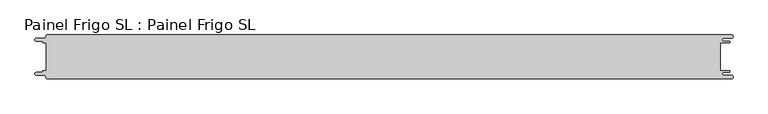
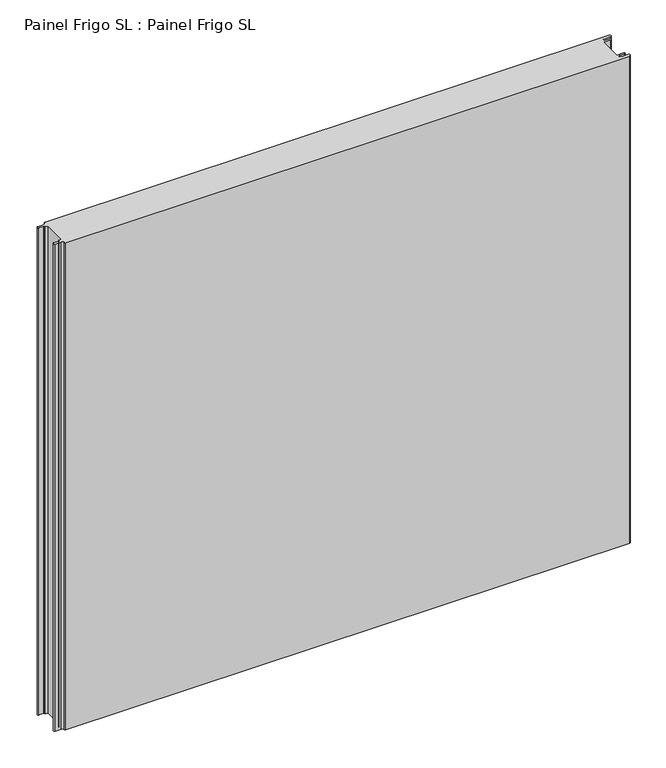
"""IFC4 building model written with IfcOpenShell, lengths in millimetres: proxy geometry, Painel Frigo SL : Painel Frigo SL."""

from ifc_helpers import new_model, si_unit, frame, origin, place, context, project, spatial, polyline, circle_curve, source, transform, mapped, element, save
from ifc_brep_helpers import plane_surface, cylinder_surface, revolved_surface, advanced_brep


def painel_frigo_sl_painel_frigo_sl_8c86acc0(model_context):
    return source(origin(), model_context, "Body", "AdvancedBrep", [
        advanced_brep(
        [(-554.5874998, -22.3, 1000.0), (-555.1874998, -22.9, 1000.0), (-555.1874998, -23.7085184, 1000.0), (-556.5875001, -25.1085187, 1000.0), (-565.565625, -25.1085187, 1000.0), (-565.565625, -29.5085185, 1000.0), (-553.55, -29.5085185, 1000.0), (-550.0, -33.0585185, 1000.0), (-548.05, -35.0, 1000.0), (546.89375, -35.0, 1000.0), (546.89375, -29.725, 1000.0), (534.45625, -29.725, 1000.0), (534.45625, -24.875, 1000.0), (543.1187503, -24.875, 1000.0), (543.1187503, -22.3, 1000.0), (529.2687503, -22.3, 1000.0), (529.2687503, 22.3, 1000.0), (543.1187503, 22.3, 1000.0), (543.1187503, 24.875, 1000.0), (534.45625, 24.875, 1000.0), (534.45625, 29.725, 1000.0), (546.89375, 29.725, 1000.0), (546.89375, 35.0, 1000.0), (-548.05, 35.0, 1000.0), (-550.0, 33.05, 1000.0), (-553.55, 29.5085185, 1000.0), (-565.565625, 29.5085185, 1000.0), (-565.565625, 25.1085185, 1000.0), (-556.5875003, 25.1085185, 1000.0), (-555.1875003, 23.7085185, 1000.0), (-555.1875003, 22.9, 1000.0), (-554.5874998, 22.2999995, 1000.0), (-549.2999612, 22.2999995, 1000.0), (-549.2999612, -22.3, 1000.0), (-554.5874998, -22.3, 0.0), (-549.2999612, -22.3, 0.0), (-549.2999612, 22.2999995, 0.0), (-554.5874998, 22.2999995, 0.0), (-555.1875003, 22.9, 0.0), (-555.1875003, 23.7085185, 0.0), (-556.5875003, 25.1085185, 0.0), (-565.565625, 25.1085185, 0.0), (-565.565625, 29.5085185, 0.0), (-553.55, 29.5085185, 0.0), (-550.0, 33.0585185, 0.0), (-548.05, 35.0, 0.0), (546.89375, 35.0, 0.0), (546.89375, 29.725, 0.0), (534.45625, 29.725, 0.0), (534.45625, 24.875, 0.0), (543.1187503, 24.875, 0.0), (543.1187503, 22.3, 0.0), (529.2687503, 22.3, 0.0), (529.2687503, -22.3, 0.0), (543.1187503, -22.3, 0.0), (543.1187503, -24.875, 0.0), (534.45625, -24.875, 0.0), (534.45625, -29.725, 0.0), (546.89375, -29.725, 0.0), (546.89375, -35.0, 0.0), (-548.05, -35.0, 0.0), (-550.0, -33.05, 0.0), (-553.55, -29.5085185, 0.0), (-565.565625, -29.5085185, 0.0), (-565.565625, -25.1085187, 0.0), (-556.5875001, -25.1085187, 0.0), (-555.1874998, -23.7085184, 0.0), (-555.1874998, -22.9, 0.0)],
        [
            (0, 1, circle_curve(frame((-554.5874998, -22.9, 1000.0), z_axis=(0.0, 0.0, 1.0), x_axis=(1.0, 0.0, 0.0)), 0.6)),
            (1, 2),
            (2, 3, circle_curve(frame((-556.5875001, -23.7085184, 1000.0), z_axis=(0.0, 0.0, -1.0), x_axis=(1.0, 0.0, 0.0)), 1.4000003)),
            (3, 4),
            (4, 5, circle_curve(frame((-565.565625, -27.3085186, 1000.0), z_axis=(0.0, 0.0, 1.0), x_axis=(1.0, 0.0, 0.0)), 2.1999999)),
            (5, 6),
            (6, 7, circle_curve(frame((-553.55, -33.0585185, 1000.0), z_axis=(0.0, 0.0, -1.0), x_axis=(1.0, 0.0, 0.0)), 3.55)),
            (7, 8, circle_curve(frame((-548.05, -33.05, 1000.0), z_axis=(0.0, 0.0, 1.0), x_axis=(1.0, 0.0, 0.0)), 1.95)),
            (8, 9),
            (9, 10, circle_curve(frame((546.89375, -32.3625, 1000.0), z_axis=(0.0, 0.0, 1.0), x_axis=(1.0, 0.0, 0.0)), 2.6375)),
            (10, 11),
            (11, 12, circle_curve(frame((534.45625, -27.3, 1000.0), z_axis=(0.0, 0.0, -1.0), x_axis=(1.0, 0.0, 0.0)), 2.425)),
            (12, 13),
            (13, 14, circle_curve(frame((543.1187503, -23.5875, 1000.0), z_axis=(0.0, 0.0, 1.0), x_axis=(1.0, 0.0, 0.0)), 1.2875)),
            (14, 15),
            (15, 16),
            (16, 17),
            (17, 18, circle_curve(frame((543.1187503, 23.5875, 1000.0), z_axis=(0.0, 0.0, 1.0), x_axis=(1.0, 0.0, 0.0)), 1.2875)),
            (18, 19),
            (19, 20, circle_curve(frame((534.45625, 27.3, 1000.0), z_axis=(0.0, 0.0, -1.0), x_axis=(1.0, 0.0, 0.0)), 2.425)),
            (20, 21),
            (21, 22, circle_curve(frame((546.89375, 32.3625, 1000.0), z_axis=(0.0, 0.0, 1.0), x_axis=(1.0, 0.0, 0.0)), 2.6375)),
            (22, 23),
            (23, 24, circle_curve(frame((-548.05, 33.05, 1000.0), z_axis=(0.0, 0.0, 1.0), x_axis=(1.0, 0.0, 0.0)), 1.95)),
            (24, 25, circle_curve(frame((-553.55, 33.0585185, 1000.0), z_axis=(0.0, 0.0, -1.0), x_axis=(1.0, 0.0, 0.0)), 3.55)),
            (25, 26),
            (26, 27, circle_curve(frame((-565.565625, 27.3085185, 1000.0), z_axis=(0.0, 0.0, 1.0), x_axis=(1.0, 0.0, 0.0)), 2.2)),
            (27, 28),
            (28, 29, circle_curve(frame((-556.5875003, 23.7085185, 1000.0), z_axis=(0.0, 0.0, -1.0), x_axis=(1.0, 0.0, 0.0)), 1.4)),
            (29, 30),
            (30, 31, circle_curve(frame((-554.5874998, 22.9, 1000.0), z_axis=(0.0, 0.0, 1.0), x_axis=(1.0, 0.0, 0.0)), 0.6000005)),
            (31, 32),
            (32, 33),
            (33, 0),
            (34, 35),
            (35, 36),
            (36, 37),
            (37, 38, circle_curve(frame((-554.5874998, 22.9, 0.0), z_axis=(0.0, 0.0, -1.0), x_axis=(1.0, 0.0, 0.0)), 0.6000005)),
            (38, 39),
            (39, 40, circle_curve(frame((-556.5875003, 23.7085185, 0.0), z_axis=(0.0, 0.0, 1.0), x_axis=(1.0, 0.0, 0.0)), 1.4)),
            (40, 41),
            (41, 42, circle_curve(frame((-565.565625, 27.3085185, 0.0), z_axis=(0.0, 0.0, -1.0), x_axis=(1.0, 0.0, 0.0)), 2.2)),
            (42, 43),
            (43, 44, circle_curve(frame((-553.55, 33.0585185, 0.0), z_axis=(0.0, 0.0, 1.0), x_axis=(1.0, 0.0, 0.0)), 3.55)),
            (44, 45, circle_curve(frame((-548.05, 33.05, 0.0), z_axis=(0.0, 0.0, -1.0), x_axis=(1.0, 0.0, 0.0)), 1.95)),
            (45, 46),
            (46, 47, circle_curve(frame((546.89375, 32.3625, 0.0), z_axis=(0.0, 0.0, -1.0), x_axis=(1.0, 0.0, 0.0)), 2.6375)),
            (47, 48),
            (48, 49, circle_curve(frame((534.45625, 27.3, 0.0), z_axis=(0.0, 0.0, 1.0), x_axis=(1.0, 0.0, 0.0)), 2.425)),
            (49, 50),
            (50, 51, circle_curve(frame((543.1187503, 23.5875, 0.0), z_axis=(0.0, 0.0, -1.0), x_axis=(1.0, 0.0, 0.0)), 1.2875)),
            (51, 52),
            (52, 53),
            (53, 54),
            (54, 55, circle_curve(frame((543.1187503, -23.5875, 0.0), z_axis=(0.0, 0.0, -1.0), x_axis=(1.0, 0.0, 0.0)), 1.2875)),
            (55, 56),
            (56, 57, circle_curve(frame((534.45625, -27.3, 0.0), z_axis=(0.0, 0.0, 1.0), x_axis=(1.0, 0.0, 0.0)), 2.425)),
            (57, 58),
            (58, 59, circle_curve(frame((546.89375, -32.3625, 0.0), z_axis=(0.0, 0.0, -1.0), x_axis=(1.0, 0.0, 0.0)), 2.6375)),
            (59, 60),
            (60, 61, circle_curve(frame((-548.05, -33.05, 0.0), z_axis=(0.0, 0.0, -1.0), x_axis=(1.0, 0.0, 0.0)), 1.95)),
            (61, 62, circle_curve(frame((-553.55, -33.0585185, 0.0), z_axis=(0.0, 0.0, 1.0), x_axis=(1.0, 0.0, 0.0)), 3.55)),
            (62, 63),
            (63, 64, circle_curve(frame((-565.565625, -27.3085186, 0.0), z_axis=(0.0, 0.0, -1.0), x_axis=(1.0, 0.0, 0.0)), 2.1999999)),
            (64, 65),
            (65, 66, circle_curve(frame((-556.5875001, -23.7085184, 0.0), z_axis=(0.0, 0.0, 1.0), x_axis=(1.0, 0.0, 0.0)), 1.4000003)),
            (66, 67),
            (67, 34, circle_curve(frame((-554.5874998, -22.9, 0.0), z_axis=(0.0, 0.0, -1.0), x_axis=(1.0, 0.0, 0.0)), 0.6)),
            (33, 35),
            (34, 0),
            (32, 36),
            (31, 37),
            (30, 38),
            (29, 39),
            (28, 40),
            (27, 41),
            (26, 42),
            (25, 43),
            (24, 44),
            (23, 45),
            (22, 46),
            (15, 53),
            (52, 16),
            (14, 54),
            (13, 55),
            (12, 56),
            (11, 57),
            (10, 58),
            (9, 59),
            (8, 60),
            (7, 61),
            (6, 62),
            (5, 63),
            (4, 64),
            (3, 65),
            (2, 66),
            (1, 67),
            (21, 47),
            (20, 48),
            (19, 49),
            (18, 50),
            (17, 51),
        ],
        [
            plane_surface(frame((-549.2999612, -22.3, 1000.0), z_axis=(0.0, 0.0, 1.0), x_axis=(1.0, 0.0, 0.0))),
            plane_surface(frame((-549.2999612, -22.3, 0.0), z_axis=(0.0, 0.0, -1.0), x_axis=(-1.0, 0.0, 0.0))),
            plane_surface(frame((-554.5874998, -22.3, 1000.0), z_axis=(0.0, 1.0, 0.0), x_axis=(0.0, 0.0, -1.0))),
            plane_surface(frame((-549.2999612, -22.3, 1000.0), z_axis=(-1.0, 0.0, 0.0), x_axis=(0.0, 0.0, -1.0))),
            plane_surface(frame((-549.2999612, 22.2999995, 1000.0), z_axis=(0.0, -1.0, 0.0), x_axis=(0.0, 0.0, -1.0))),
            cylinder_surface(frame((-554.5874998, 22.9, 0.0), z_axis=(0.0, 0.0, 1.0), x_axis=(1.0, 0.0, 0.0)), 0.6000005),
            plane_surface(frame((-555.1875003, 22.9, 1000.0), z_axis=(-1.0, -1.7578608662329244e-12, 0.0), x_axis=(0.0, 0.0, -1.0))),
            revolved_surface(polyline([(-555.1875003, 23.7085185, 0.0), (-555.1875003, 23.7085185, 1000.0)]), (-556.5875003, 23.7085185, 0.0), (0.0, 0.0, -1.0)),
            plane_surface(frame((-556.5875003, 25.1085185, 1000.0), z_axis=(0.0, -1.0, 0.0), x_axis=(0.0, 0.0, -1.0))),
            cylinder_surface(frame((-565.565625, 27.3085185, 0.0), z_axis=(0.0, 0.0, 1.0), x_axis=(1.0, 0.0, 0.0)), 2.2),
            plane_surface(frame((-565.565625, 29.5085185, 1000.0), z_axis=(0.0, 1.0, 0.0), x_axis=(0.0, 0.0, -1.0))),
            revolved_surface(polyline([(-550.0, 33.0585185, 0.0), (-550.0, 33.0585185, 1000.0)]), (-553.55, 33.0585185, 0.0), (0.0, 0.0, -1.0)),
            cylinder_surface(frame((-548.05, 33.05, 0.0), z_axis=(0.0, 0.0, 1.0), x_axis=(1.0, 0.0, 0.0)), 1.95),
            plane_surface(frame((-548.05, 35.0, 1000.0), z_axis=(0.0, 1.0, 0.0), x_axis=(0.0, 0.0, -1.0))),
            plane_surface(frame((529.2687503, 22.3, 1000.0), z_axis=(1.0, 0.0, 0.0), x_axis=(0.0, 0.0, -1.0))),
            plane_surface(frame((529.2687503, -22.3, 1000.0), z_axis=(0.0, 1.0, 0.0), x_axis=(0.0, 0.0, -1.0))),
            cylinder_surface(frame((543.1187503, -23.5875, 0.0), z_axis=(0.0, 0.0, 1.0), x_axis=(1.0, 0.0, 0.0)), 1.2875),
            plane_surface(frame((543.1187503, -24.875, 1000.0), z_axis=(0.0, -1.0, 0.0), x_axis=(0.0, 0.0, -1.0))),
            revolved_surface(polyline([(536.8812499999999, -27.3, 0.0), (536.8812499999999, -27.3, 1000.0)]), (534.45625, -27.3, 0.0), (0.0, 0.0, -1.0)),
            plane_surface(frame((534.45625, -29.725, 1000.0), z_axis=(0.0, 1.0, 0.0), x_axis=(0.0, 0.0, -1.0))),
            cylinder_surface(frame((546.89375, -32.3625, 0.0), z_axis=(0.0, 0.0, 1.0), x_axis=(1.0, 0.0, 0.0)), 2.6375),
            plane_surface(frame((546.89375, -35.0, 1000.0), z_axis=(0.0, -1.0, 0.0), x_axis=(0.0, 0.0, -1.0))),
            cylinder_surface(frame((-548.05, -33.05, 0.0), z_axis=(0.0, 0.0, 1.0), x_axis=(1.0, 0.0, 0.0)), 1.95),
            revolved_surface(polyline([(-550.0, -33.0585185, 0.0), (-550.0, -33.0585185, 1000.0)]), (-553.55, -33.0585185, 0.0), (0.0, 0.0, -1.0)),
            plane_surface(frame((-553.55, -29.5085185, 1000.0), z_axis=(0.0, -1.0, 0.0), x_axis=(0.0, 0.0, -1.0))),
            cylinder_surface(frame((-565.565625, -27.3085186, 0.0), z_axis=(0.0, 0.0, 1.0), x_axis=(1.0, 0.0, 0.0)), 2.1999999),
            plane_surface(frame((-565.565625, -25.1085187, 1000.0), z_axis=(0.0, 1.0, 0.0), x_axis=(0.0, 0.0, -1.0))),
            revolved_surface(polyline([(-555.1874998000001, -23.7085184, 0.0), (-555.1874998000001, -23.7085184, 1000.0)]), (-556.5875001, -23.7085184, 0.0), (0.0, 0.0, -1.0)),
            plane_surface(frame((-555.1874998, -23.7085184, 1000.0), z_axis=(-1.0, 0.0, 0.0), x_axis=(0.0, 0.0, -1.0))),
            cylinder_surface(frame((-554.5874998, -22.9, 0.0), z_axis=(0.0, 0.0, 1.0), x_axis=(1.0, 0.0, 0.0)), 0.6),
            cylinder_surface(frame((546.89375, 32.3625, 0.0), z_axis=(0.0, 0.0, 1.0), x_axis=(1.0, 0.0, 0.0)), 2.6375),
            plane_surface(frame((546.89375, 29.725, 1000.0), z_axis=(0.0, -1.0, 0.0), x_axis=(0.0, 0.0, -1.0))),
            revolved_surface(polyline([(536.8812499999999, 27.3, 0.0), (536.8812499999999, 27.3, 1000.0)]), (534.45625, 27.3, 0.0), (0.0, 0.0, -1.0)),
            plane_surface(frame((534.45625, 24.875, 1000.0), z_axis=(0.0, 1.0, 0.0), x_axis=(0.0, 0.0, -1.0))),
            cylinder_surface(frame((543.1187503, 23.5875, 0.0), z_axis=(0.0, 0.0, 1.0), x_axis=(1.0, 0.0, 0.0)), 1.2875),
            plane_surface(frame((543.1187503, 22.3, 1000.0), z_axis=(0.0, -1.0, 0.0), x_axis=(0.0, 0.0, -1.0))),
        ],
        [
            (0, [[1, 2, 3, 4, 5, 6, 7, 8, 9, 10, 11, 12, 13, 14, 15, 16, 17, 18, 19, 20, 21, 22, 23, 24, 25, 26, 27, 28, 29, 30, 31, 32, 33, 34]]),
            (1, [[35, 36, 37, 38, 39, 40, 41, 42, 43, 44, 45, 46, 47, 48, 49, 50, 51, 52, 53, 54, 55, 56, 57, 58, 59, 60, 61, 62, 63, 64, 65, 66, 67, 68]]),
            (2, [[69, -35, 70, -34]]),
            (3, [[71, -36, -69, -33]]),
            (4, [[72, -37, -71, -32]]),
            (5, [[73, -38, -72, -31]]),
            (6, [[74, -39, -73, -30]]),
            (7, [[75, -40, -74, -29]]),
            (8, [[76, -41, -75, -28]]),
            (9, [[77, -42, -76, -27]]),
            (10, [[78, -43, -77, -26]]),
            (11, [[79, -44, -78, -25]]),
            (12, [[80, -45, -79, -24]]),
            (13, [[81, -46, -80, -23]]),
            (14, [[82, -53, 83, -16]]),
            (15, [[84, -54, -82, -15]]),
            (16, [[85, -55, -84, -14]]),
            (17, [[86, -56, -85, -13]]),
            (18, [[87, -57, -86, -12]]),
            (19, [[88, -58, -87, -11]]),
            (20, [[89, -59, -88, -10]]),
            (21, [[90, -60, -89, -9]]),
            (22, [[91, -61, -90, -8]]),
            (23, [[92, -62, -91, -7]]),
            (24, [[93, -63, -92, -6]]),
            (25, [[94, -64, -93, -5]]),
            (26, [[95, -65, -94, -4]]),
            (27, [[96, -66, -95, -3]]),
            (28, [[97, -67, -96, -2]]),
            (29, [[-70, -68, -97, -1]]),
            (30, [[98, -47, -81, -22]]),
            (31, [[99, -48, -98, -21]]),
            (32, [[100, -49, -99, -20]]),
            (33, [[101, -50, -100, -19]]),
            (34, [[102, -51, -101, -18]]),
            (35, [[-83, -52, -102, -17]]),
        ],
    ),
    ])


if __name__ == "__main__":
    model = new_model("IFC4")
    model_context = context("Model", 3, world=origin())
    ifc_project = project(units=[si_unit("LENGTHUNIT", "METRE", prefix="MILLI")], contexts=[model_context])
    site = spatial("IfcSite", under=ifc_project)
    building = spatial("IfcBuilding", under=site)
    placement = place(None, origin())
    painel_frigo_sl_painel_frigo_sl_shape = painel_frigo_sl_painel_frigo_sl_8c86acc0(model_context)
    element("IfcBuildingElementProxy", 1, Name="Painel Frigo SL : Painel Frigo SL", ObjectType="Painel Frigo SL : Painel Frigo SL", at=placement, inside=building, context=model_context, shape_type="MappedRepresentation", body=[
        mapped(painel_frigo_sl_painel_frigo_sl_shape, transform((0.0, 0.0, 0.0), x_axis=(1.0, 0.0, 0.0), y_axis=(0.0, 1.0, 0.0), z_axis=(0.0, 0.0, 1.0))),
    ])
    save(model, "model.ifc")
